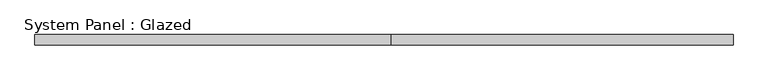
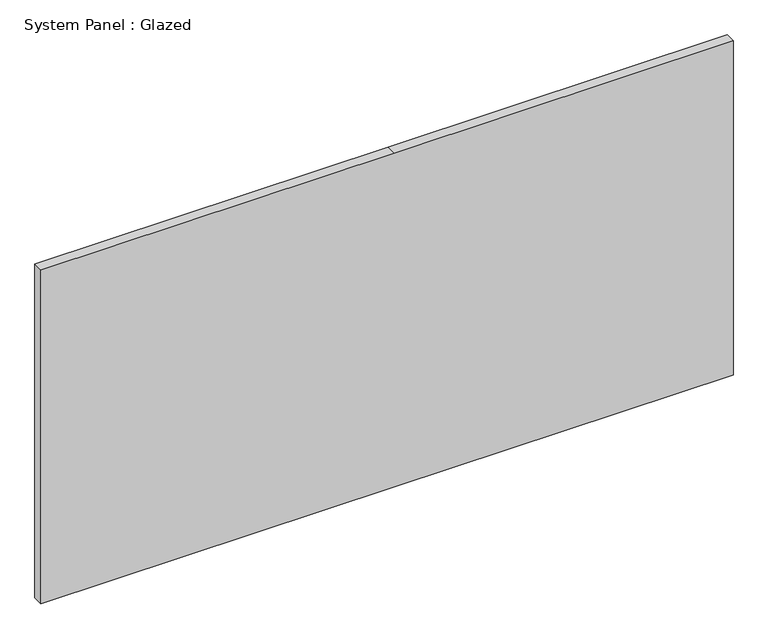
"""IFC4 building model written with IfcOpenShell, lengths in millimetres: plate geometry, System Panel : Glazed."""

from ifc_helpers import new_model, si_unit, frame, origin, place, context, project, spatial, polyline, outline, extrude, source, transform, mapped, element, save


def system_panel_glazed_e9849d72(model_context):
    return source(origin(), model_context, "Body", "SweptSolid", [
        extrude(outline(polyline([(0.0, -845.8707433), (0.0, 17.7292567), (0.0, 845.8707433), (863.6, 845.8707433), (863.6, 17.7292567), (863.6, -845.8707433), (0.0, -845.8707433)])), frame((0.0, -12.7, 0.0), z_axis=(0.0, 1.0, 0.0), x_axis=(0.0, 0.0, 1.0)), (0.0, 0.0, 1.0), 25.4),
    ])


if __name__ == "__main__":
    model = new_model("IFC4")
    model_context = context("Model", 3, world=origin())
    ifc_project = project(units=[si_unit("LENGTHUNIT", "METRE", prefix="MILLI")], contexts=[model_context])
    site = spatial("IfcSite", under=ifc_project)
    building = spatial("IfcBuilding", under=site)
    placement = place(None, origin())
    system_panel_glazed_shape = system_panel_glazed_e9849d72(model_context)
    element("IfcPlate", 1, ObjectType="System Panel : Glazed", at=placement, inside=building, context=model_context, shape_type="MappedRepresentation", body=[
        mapped(system_panel_glazed_shape, transform((0.0, 0.0, 0.0), x_axis=(1.0, 0.0, 0.0), y_axis=(0.0, 1.0, 0.0), z_axis=(0.0, 0.0, 1.0))),
    ])
    save(model, "model.ifc")
